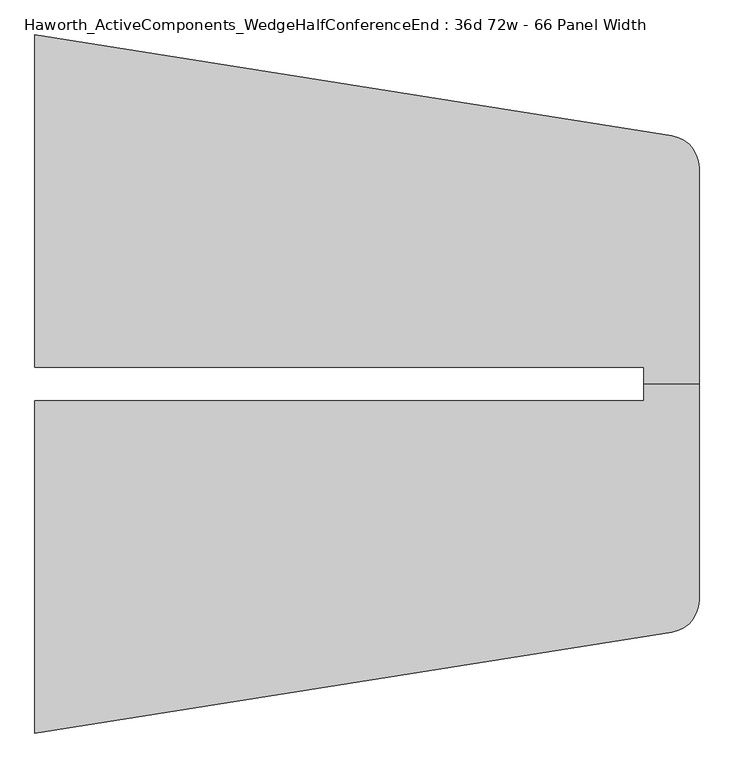
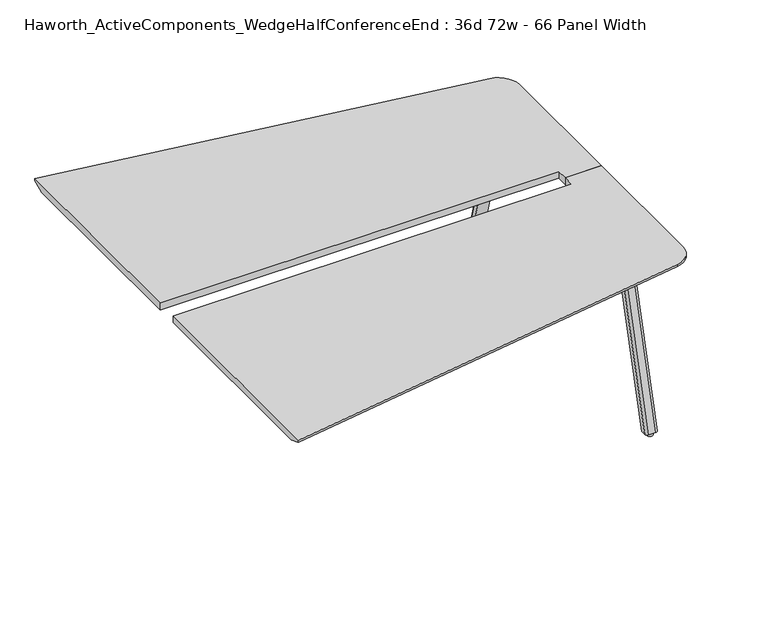
"""IFC4 building model written with IfcOpenShell, lengths in millimetres: furniture geometry, Haworth_ActiveComponents_WedgeHalfConferenceEnd : 36d 72w - 66 Panel Width."""

from ifc_helpers import new_model, si_unit, point, frame, frame_2d, origin, origin_with_axes, place, context, project, spatial, polyline, circle_curve, trimmed, segment, composite_curve, outline, extrude, source, transform, mapped, element, save
from ifc_brep_helpers import plane_surface, cylinder_surface, revolved_surface, extruded_surface, advanced_brep


def haworth_activecomponents_wedgehalfconferenceend_36d_72w_66_017266bb(model_context):
    return source(origin(), model_context, "Body", "SolidModel", [
        advanced_brep(
        [(1206.5, 341.5840234, 741.3625), (1206.5, 295.5465234, 741.3625), (1358.9, 295.5465234, 741.3625), (1358.9, 890.402786, 741.3625), (1283.9070239, 978.2082795, 741.3625), (-469.9, 1255.9840234, 741.3625), (-469.9, 341.5840234, 741.3625), (1206.5, 341.5840234, 711.2), (-469.9, 341.5840234, 711.2), (-469.9, 1204.5507951, 711.2), (1275.9601531, 928.0337118, 711.2), (1308.1, 890.402786, 711.2), (1308.1, 295.5465234, 711.2), (1206.5, 295.5465234, 711.2), (-469.9, 1255.9840234, 731.8375), (1358.9, 295.5465234, 731.8375), (1358.9, 890.402786, 731.8375), (1283.9070239, 978.2082795, 731.8375)],
        [
            (0, 1),
            (1, 2),
            (2, 3),
            (3, 4, circle_curve(frame((1270.0, 890.402786, 741.3625), z_axis=(0.0, 0.0, 1.0), x_axis=(1.0, 0.0, 0.0)), 88.9)),
            (4, 5),
            (5, 6),
            (6, 0),
            (7, 8),
            (8, 9),
            (9, 10),
            (10, 11, circle_curve(frame((1270.0, 890.402786, 711.2), z_axis=(0.0, 0.0, -1.0), x_axis=(0.15643446504022915, 0.987688340595138, 0.0)), 38.1)),
            (11, 12),
            (12, 13),
            (13, 7),
            (6, 8),
            (7, 0),
            (5, 14),
            (14, 9),
            (2, 15),
            (15, 16),
            (16, 3),
            (1, 13),
            (12, 15),
            (4, 17),
            (17, 14),
            (16, 17, circle_curve(frame((1270.0, 890.402786, 731.8375), z_axis=(0.0, 0.0, 1.0), x_axis=(1.0, 0.0, 0.0)), 88.9)),
            (17, 10),
            (16, 11),
        ],
        [
            plane_surface(frame((-469.9, 341.5840234, 741.3625), z_axis=(0.0, 0.0, 1.0), x_axis=(-1.0, 0.0, 0.0))),
            plane_surface(frame((-469.9, 341.5840234, 711.2), z_axis=(0.0, 0.0, -1.0), x_axis=(1.0, 0.0, 0.0))),
            plane_surface(frame((1206.5, 341.5840234, 741.3625), z_axis=(0.0, -1.0, 0.0), x_axis=(0.0, 0.0, -1.0))),
            plane_surface(frame((-469.9, 341.5840234, 741.3625), z_axis=(-1.0, 0.0, 0.0), x_axis=(0.0, 0.0, -1.0))),
            plane_surface(frame((1358.9, 890.402786, 741.3625), z_axis=(1.0, 0.0, 0.0), x_axis=(0.0, 0.0, -1.0))),
            plane_surface(frame((1358.9, 295.5465234, 741.3625), z_axis=(0.0, -1.0, 0.0), x_axis=(0.0, 0.0, -1.0))),
            plane_surface(frame((1206.5, 295.5465234, 741.3625), z_axis=(-1.0, 0.0, 0.0), x_axis=(0.0, 0.0, -1.0))),
            plane_surface(frame((-469.9, 1255.9840234, 741.3625), z_axis=(0.1564344650402402, 0.9876883405951362, 0.0), x_axis=(0.0, 0.0, -1.0))),
            cylinder_surface(frame((1270.0, 890.402786, 711.2), z_axis=(0.0, 0.0, 1.0), x_axis=(1.0, 0.0, 0.0)), 88.9),
            plane_surface(frame((-469.9, 1255.9840234, 731.8375), z_axis=(0.05887834199406397, 0.37174322094655393, -0.9264665771220847), x_axis=(0.9876883405951362, -0.15643446504024017, 0.0))),
            revolved_surface(polyline([(1275.9601531, 928.0337118, 711.2), (1283.9070239, 978.2082795, 731.8375)]), (1270.0, 890.402786, 741.3625), (0.0, 0.0, 1.0)),
            plane_surface(frame((1358.9, 890.402786, 731.8375), z_axis=(0.3763770469564906, 0.0, -0.9264665771220847), x_axis=(0.0, -1.0, 0.0))),
        ],
        [
            (0, [[1, 2, 3, 4, 5, 6, 7]]),
            (1, [[8, 9, 10, 11, 12, 13, 14]]),
            (2, [[15, -8, 16, -7]]),
            (3, [[17, 18, -9, -15, -6]]),
            (4, [[19, 20, 21, -3]]),
            (5, [[22, -13, 23, -19, -2]]),
            (6, [[-16, -14, -22, -1]]),
            (7, [[24, 25, -17, -5]]),
            (8, [[-21, 26, -24, -4]]),
            (9, [[-10, -18, -25, 27]]),
            (10, [[-26, 28, -11, -27]]),
            (11, [[-20, -23, -12, -28]]),
        ],
    ),
        advanced_brep(
        [(1206.5, 249.5090234, 741.3625), (-469.9, 249.5090234, 741.3625), (-469.9, -664.8909766, 741.3625), (1283.9070239, -387.1152326, 741.3625), (1358.9, -299.3097392, 741.3625), (1358.9, 295.5465234, 741.3625), (1206.5, 295.5465234, 741.3625), (1206.5, 249.5090234, 711.2), (1206.5, 295.5465234, 711.2), (1308.1, 295.5465234, 711.2), (1308.1, -299.3097392, 711.2), (1275.9601531, -336.9406649, 711.2), (-469.9, -613.4577482, 711.2), (-469.9, 249.5090234, 711.2), (-469.9, -664.8909766, 731.8375), (1358.9, -299.3097392, 731.8375), (1358.9, 295.5465234, 731.8375), (1283.9070239, -387.1152326, 731.8375)],
        [
            (0, 1),
            (1, 2),
            (2, 3),
            (3, 4, circle_curve(frame((1270.0, -299.3097392, 741.3625), z_axis=(0.0, 0.0, 1.0), x_axis=(1.0, 0.0, 0.0)), 88.9)),
            (4, 5),
            (5, 6),
            (6, 0),
            (7, 8),
            (8, 9),
            (9, 10),
            (10, 11, circle_curve(frame((1270.0, -299.3097392, 711.2), z_axis=(0.0, 0.0, -1.0), x_axis=(0.1564344650402228, -0.987688340595139, 0.0)), 38.1)),
            (11, 12),
            (12, 13),
            (13, 7),
            (0, 7),
            (13, 1),
            (12, 14),
            (14, 2),
            (4, 15),
            (15, 16),
            (16, 5),
            (16, 9),
            (8, 6),
            (14, 17),
            (17, 3),
            (17, 15, circle_curve(frame((1270.0, -299.3097392, 731.8375), z_axis=(0.0, 0.0, 1.0), x_axis=(1.0, 0.0, 0.0)), 88.9)),
            (11, 17),
            (10, 15),
        ],
        [
            plane_surface(frame((-469.9, 249.5090234, 741.3625), z_axis=(0.0, 0.0, 1.0), x_axis=(-1.0, 0.0, 0.0))),
            plane_surface(frame((-469.9, 249.5090234, 711.2), z_axis=(0.0, 0.0, -1.0), x_axis=(1.0, 0.0, 0.0))),
            plane_surface(frame((1206.5, 249.5090234, 741.3625), z_axis=(0.0, 1.0, 0.0), x_axis=(0.0, 0.0, -1.0))),
            plane_surface(frame((-469.9, 249.5090234, 741.3625), z_axis=(-1.0, 0.0, 0.0), x_axis=(0.0, 0.0, -1.0))),
            plane_surface(frame((1358.9, -299.3097392, 741.3625), z_axis=(1.0, 0.0, 0.0), x_axis=(0.0, 0.0, -1.0))),
            plane_surface(frame((1358.9, 295.5465234, 741.3625), z_axis=(0.0, 1.0, 0.0), x_axis=(0.0, 0.0, -1.0))),
            plane_surface(frame((1206.5, 295.5465234, 741.3625), z_axis=(-1.0, 0.0, 0.0), x_axis=(0.0, 0.0, -1.0))),
            plane_surface(frame((-469.9, -664.8909766, 741.3625), z_axis=(0.15643446504023384, -0.9876883405951372, 0.0), x_axis=(0.0, 0.0, -1.0))),
            cylinder_surface(frame((1270.0, -299.3097392, 711.2), z_axis=(0.0, 0.0, 1.0), x_axis=(1.0, 0.0, 0.0)), 88.9),
            plane_surface(frame((-469.9, -664.8909766, 731.8375), z_axis=(0.05887834199406158, -0.3717432209465543, -0.9264665771220846), x_axis=(0.9876883405951372, 0.1564344650402338, 0.0))),
            revolved_surface(polyline([(1275.9601531, -336.9406649, 711.2), (1283.9070239, -387.1152326, 731.8375)]), (1270.0, -299.3097392, 741.3625), (0.0, 0.0, 1.0)),
            plane_surface(frame((1358.9, -299.3097392, 731.8375), z_axis=(0.3763770469564906, 0.0, -0.9264665771220847), x_axis=(0.0, 1.0, 0.0))),
        ],
        [
            (0, [[1, 2, 3, 4, 5, 6, 7]]),
            (1, [[8, 9, 10, 11, 12, 13, 14]]),
            (2, [[-1, 15, -14, 16]]),
            (3, [[-2, -16, -13, 17, 18]]),
            (4, [[-5, 19, 20, 21]]),
            (5, [[-6, -21, 22, -9, 23]]),
            (6, [[-7, -23, -8, -15]]),
            (7, [[-3, -18, 24, 25]]),
            (8, [[-4, -25, 26, -19]]),
            (9, [[27, -24, -17, -12]]),
            (10, [[-27, -11, 28, -26]]),
            (11, [[-28, -10, -22, -20]]),
        ],
    ),
        extrude(outline(composite_curve([segment(polyline([(1209.294, 681.2660641), (1101.3440004, 681.2660641)]), True, "CONTINUOUS"), segment(trimmed(circle_curve(frame_2d((1101.3440004, 690.7910641)), 9.525), [point((1101.3440004, 681.2660641))], [point((1091.8190004, 690.7910641))], False, "CARTESIAN"), True, "CONTINUOUS"), segment(polyline([(1091.8190004, 690.7910641), (1091.8190004, 773.4644335)]), True, "CONTINUOUS"), segment(trimmed(circle_curve(frame_2d((1101.3440004, 773.4644335)), 9.525), [point((1091.8190004, 773.4644335))], [point((1101.3440004, 782.9894335))], False, "CARTESIAN"), True, "CONTINUOUS"), segment(polyline([(1101.3440004, 782.9894335), (1209.294, 782.9894335)]), True, "CONTINUOUS"), segment(trimmed(circle_curve(frame_2d((1209.294, 773.4644335)), 9.525), [point((1209.294, 782.9894335))], [point((1218.819, 773.4644335))], False, "CARTESIAN"), True, "CONTINUOUS"), segment(polyline([(1218.819, 773.4644335), (1218.819, 690.7910641)]), True, "CONTINUOUS"), segment(trimmed(circle_curve(frame_2d((1209.294, 690.7910641)), 9.525), [point((1218.819, 690.7910641))], [point((1209.294, 681.2660641))], False, "CARTESIAN"), True, "CONTINUOUS")], self_intersect=False)), frame((0.0, 0.0, 705.2055742), z_axis=(0.0, 0.0, 1.0), x_axis=(1.0, 0.0, 0.0)), (0.0, 0.0, 1.0), 5.9944258),
        advanced_brep(
        [(1203.325, 775.7652734, 705.2055742), (1171.575, 775.7652734, 705.2055742), (1162.05, 766.2402734, 705.2055742), (1162.05, 745.6027734, 705.2055742), (1212.85, 745.6027734, 705.2055742), (1212.85, 766.2402734, 705.2055742), (1203.325, 962.2535641, 12.7), (1212.85, 952.7285641, 12.7), (1212.85, 932.0910641, 12.7), (1162.05, 932.0910641, 12.7), (1162.05, 952.7285641, 12.7), (1171.575, 962.2535641, 12.7)],
        [
            (0, 1),
            (1, 2, circle_curve(frame((1171.575, 766.2402734, 705.2055742), z_axis=(0.0, 0.0, 1.0), x_axis=(1.0, 0.0, 0.0)), 9.525)),
            (2, 3),
            (3, 4),
            (4, 5),
            (5, 0, circle_curve(frame((1203.325, 766.2402734, 705.2055742), z_axis=(0.0, 0.0, 1.0), x_axis=(1.0, 0.0, 0.0)), 9.525)),
            (6, 7, circle_curve(frame((1203.325, 952.7285641, 12.7), z_axis=(0.0, 0.0, -1.0), x_axis=(1.0, 0.0, 0.0)), 9.525)),
            (7, 8),
            (8, 9),
            (9, 10),
            (10, 11, circle_curve(frame((1171.575, 952.7285641, 12.7), z_axis=(0.0, 0.0, -1.0), x_axis=(1.0, 0.0, 0.0)), 9.525)),
            (11, 6),
            (6, 0),
            (5, 7),
            (4, 8),
            (3, 9),
            (2, 10),
            (1, 11),
        ],
        [
            plane_surface(frame((1187.45, 762.5361068, 705.2055742), z_axis=(0.0, 0.0, 1.0), x_axis=(-1.0, 0.0, 0.0))),
            plane_surface(frame((1187.45, 949.0243975, 12.7), z_axis=(0.0, 0.0, -1.0), x_axis=(-1.0, 0.0, 0.0))),
            extruded_surface(trimmed(circle_curve(frame((1203.325, 766.2402734, 705.2055742), z_axis=(0.0, 0.0, -1.0), x_axis=(1.0, 0.0, 0.0)), 9.525), [point((1203.325, 775.7652734, 705.2055742))], [point((1212.85, 766.2402734, 705.2055742))], True, "CARTESIAN"), (0.0, 186.4882907, -692.5055742), 717.1763052878136),
            plane_surface(frame((1212.85, 942.4098141, 12.7), z_axis=(1.0, 0.0, 0.0), x_axis=(0.0, -1.0, 0.0))),
            plane_surface(frame((1187.45, 932.0910641, 12.7), z_axis=(0.0, -0.9656001865922422, -0.260031305140414), x_axis=(-1.0, 0.0, 0.0))),
            plane_surface(frame((1162.05, 942.4098141, 12.7), z_axis=(-1.0, 0.0, 0.0), x_axis=(0.0, 1.0, 0.0))),
            extruded_surface(trimmed(circle_curve(frame((1171.575, 766.2402734, 705.2055742), z_axis=(0.0, 0.0, -1.0), x_axis=(1.0, 0.0, 0.0)), 9.525), [point((1162.05, 766.2402734, 705.2055742))], [point((1171.575, 775.7652734, 705.2055742))], True, "CARTESIAN"), (0.0, 186.4882907, -692.5055742), 717.1763052878136),
            plane_surface(frame((1187.45, 962.2535641, 12.7), z_axis=(0.0, 0.9656001865922422, 0.260031305140414), x_axis=(1.0, 0.0, 0.0))),
        ],
        [
            (0, [[1, 2, 3, 4, 5, 6]]),
            (1, [[7, 8, 9, 10, 11, 12]]),
            (2, [[13, -6, 14, -7]]),
            (3, [[-14, -5, 15, -8]]),
            (4, [[-15, -4, 16, -9]]),
            (5, [[-16, -3, 17, -10]]),
            (6, [[-17, -2, 18, -11]]),
            (7, [[-18, -1, -13, -12]]),
        ],
    ),
        extrude(outline(composite_curve([segment(trimmed(circle_curve(frame_2d((1187.45, 946.3785641)), 12.7), [point((1174.75, 946.3785641))], [point((1200.15, 946.3785641))], False, "CARTESIAN"), True, "CONTINUOUS"), segment(trimmed(circle_curve(frame_2d((1187.45, 946.3785641)), 12.7), [point((1200.15, 946.3785641))], [point((1174.75, 946.3785641))], False, "CARTESIAN"), True, "CONTINUOUS")], self_intersect=False)), origin_with_axes(), (0.0, 0.0, 1.0), 12.7),
        extrude(outline(composite_curve([segment(trimmed(circle_curve(frame_2d((1209.294, -99.6980172)), 9.525), [point((1209.294, -90.1730172))], [point((1218.819, -99.6980172))], False, "CARTESIAN"), True, "CONTINUOUS"), segment(polyline([(1218.819, -99.6980172), (1218.819, -182.3713866)]), True, "CONTINUOUS"), segment(trimmed(circle_curve(frame_2d((1209.294, -182.3713866)), 9.525), [point((1218.819, -182.3713866))], [point((1209.294, -191.8963866))], False, "CARTESIAN"), True, "CONTINUOUS"), segment(polyline([(1209.294, -191.8963866), (1101.3440004, -191.8963866)]), True, "CONTINUOUS"), segment(trimmed(circle_curve(frame_2d((1101.3440004, -182.3713866)), 9.525), [point((1101.3440004, -191.8963866))], [point((1091.8190004, -182.3713866))], False, "CARTESIAN"), True, "CONTINUOUS"), segment(polyline([(1091.8190004, -182.3713866), (1091.8190004, -99.6980172)]), True, "CONTINUOUS"), segment(trimmed(circle_curve(frame_2d((1101.3440004, -99.6980172)), 9.525), [point((1091.8190004, -99.6980172))], [point((1101.3440004, -90.1730172))], False, "CARTESIAN"), True, "CONTINUOUS"), segment(polyline([(1101.3440004, -90.1730172), (1209.294, -90.1730172)]), True, "CONTINUOUS")], self_intersect=False)), frame((0.0, 0.0, 705.2055742), z_axis=(0.0, 0.0, 1.0), x_axis=(1.0, 0.0, 0.0)), (0.0, 0.0, 1.0), 5.9944258),
        advanced_brep(
        [(1203.325, -184.6722266, 705.2055742), (1212.85, -175.1472266, 705.2055742), (1212.85, -154.5097266, 705.2055742), (1162.05, -154.5097266, 705.2055742), (1162.05, -175.1472266, 705.2055742), (1171.575, -184.6722266, 705.2055742), (1203.325, -371.1605172, 12.7), (1171.575, -371.1605172, 12.7), (1162.05, -361.6355172, 12.7), (1162.05, -340.9980172, 12.7), (1212.85, -340.9980172, 12.7), (1212.85, -361.6355172, 12.7)],
        [
            (0, 1, circle_curve(frame((1203.325, -175.1472266, 705.2055742), z_axis=(0.0, 0.0, 1.0), x_axis=(1.0, 0.0, 0.0)), 9.525)),
            (1, 2),
            (2, 3),
            (3, 4),
            (4, 5, circle_curve(frame((1171.575, -175.1472266, 705.2055742), z_axis=(0.0, 0.0, 1.0), x_axis=(1.0, 0.0, 0.0)), 9.525)),
            (5, 0),
            (6, 7),
            (7, 8, circle_curve(frame((1171.575, -361.6355172, 12.7), z_axis=(0.0, 0.0, -1.0), x_axis=(1.0, 0.0, 0.0)), 9.525)),
            (8, 9),
            (9, 10),
            (10, 11),
            (11, 6, circle_curve(frame((1203.325, -361.6355172, 12.7), z_axis=(0.0, 0.0, -1.0), x_axis=(1.0, 0.0, 0.0)), 9.525)),
            (11, 1),
            (0, 6),
            (10, 2),
            (9, 3),
            (8, 4),
            (7, 5),
        ],
        [
            plane_surface(frame((1187.45, -171.4430599, 705.2055742), z_axis=(0.0, 0.0, 1.0), x_axis=(-1.0, 0.0, 0.0))),
            plane_surface(frame((1187.45, -357.9313506, 12.7), z_axis=(0.0, 0.0, -1.0), x_axis=(-1.0, 0.0, 0.0))),
            extruded_surface(trimmed(circle_curve(frame((1203.325, -361.6355172, 12.7), z_axis=(0.0, 0.0, 1.0), x_axis=(1.0, 0.0, 0.0)), 9.525), [point((1203.325, -371.1605172, 12.7))], [point((1212.85, -361.6355172, 12.7))], True, "CARTESIAN"), (0.0, 186.48829059999997, 692.5055742), 717.1763052618105),
            plane_surface(frame((1212.85, -351.3167672, 12.7), z_axis=(1.0, 0.0, 0.0), x_axis=(0.0, 1.0, 0.0))),
            plane_surface(frame((1187.45, -340.9980172, 12.7), z_axis=(0.0, 0.9656001865922422, -0.260031305140414), x_axis=(-1.0, 0.0, 0.0))),
            plane_surface(frame((1162.05, -351.3167672, 12.7), z_axis=(-1.0, 0.0, 0.0), x_axis=(0.0, -1.0, 0.0))),
            extruded_surface(trimmed(circle_curve(frame((1171.575, -361.6355172, 12.7), z_axis=(0.0, 0.0, 1.0), x_axis=(1.0, 0.0, 0.0)), 9.525), [point((1162.05, -361.6355172, 12.7))], [point((1171.575, -371.1605172, 12.7))], True, "CARTESIAN"), (0.0, 186.48829059999997, 692.5055742), 717.1763052618105),
            plane_surface(frame((1187.45, -371.1605172, 12.7), z_axis=(0.0, -0.9656001865922422, 0.260031305140414), x_axis=(1.0, 0.0, 0.0))),
        ],
        [
            (0, [[1, 2, 3, 4, 5, 6]]),
            (1, [[7, 8, 9, 10, 11, 12]]),
            (2, [[-12, 13, -1, 14]]),
            (3, [[-11, 15, -2, -13]]),
            (4, [[-10, 16, -3, -15]]),
            (5, [[-9, 17, -4, -16]]),
            (6, [[-8, 18, -5, -17]]),
            (7, [[-7, -14, -6, -18]]),
        ],
    ),
        extrude(outline(composite_curve([segment(trimmed(circle_curve(frame_2d((1187.45, -355.2855172)), 12.7), [point((1174.75, -355.2855172))], [point((1200.15, -355.2855172))], False, "CARTESIAN"), True, "CONTINUOUS"), segment(trimmed(circle_curve(frame_2d((1187.45, -355.2855172)), 12.7), [point((1200.15, -355.2855172))], [point((1174.75, -355.2855172))], False, "CARTESIAN"), True, "CONTINUOUS")], self_intersect=False)), origin_with_axes(), (0.0, 0.0, 1.0), 12.7),
    ])


if __name__ == "__main__":
    model = new_model("IFC4")
    model_context = context("Model", 3, world=origin())
    ifc_project = project(units=[si_unit("LENGTHUNIT", "METRE", prefix="MILLI")], contexts=[model_context])
    site = spatial("IfcSite", under=ifc_project)
    building = spatial("IfcBuilding", under=site)
    placement = place(None, origin())
    haworth_activecomponents_wedgehalfconferenceend_36d_72w_66_shape = haworth_activecomponents_wedgehalfconferenceend_36d_72w_66_017266bb(model_context)
    element("IfcFurniture", 1, ObjectType="Haworth_ActiveComponents_WedgeHalfConferenceEnd : 36d 72w - 66 Panel Width", at=placement, inside=building, context=model_context, shape_type="MappedRepresentation", body=[
        mapped(haworth_activecomponents_wedgehalfconferenceend_36d_72w_66_shape, transform((0.0, 0.0, 0.0), x_axis=(1.0, 0.0, 0.0), y_axis=(0.0, 1.0, 0.0), z_axis=(0.0, 0.0, 1.0))),
    ])
    save(model, "model.ifc")
